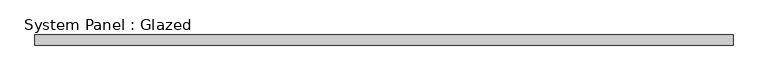
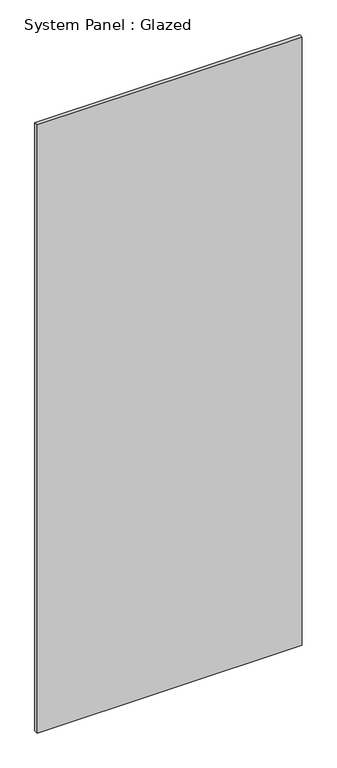
"""IFC4 building model written with IfcOpenShell, lengths in millimetres: plate geometry, System Panel : Glazed."""

from ifc_helpers import new_model, si_unit, origin, origin_with_axes, place, context, project, spatial, polyline, outline, extrude, source, transform, mapped, element, save


def system_panel_glazed_f51f36ee(model_context):
    return source(origin(), model_context, "Body", "SweptSolid", [
        extrude(outline(polyline([(827.8623785, -49.5), (-827.8623785, -49.5), (-827.8623785, -24.5), (827.8623785, -24.5), (827.8623785, -49.5)])), origin_with_axes(), (0.0, 0.0, 1.0), 4015.0),
    ])


if __name__ == "__main__":
    model = new_model("IFC4")
    model_context = context("Model", 3, world=origin())
    ifc_project = project(units=[si_unit("LENGTHUNIT", "METRE", prefix="MILLI")], contexts=[model_context])
    site = spatial("IfcSite", under=ifc_project)
    building = spatial("IfcBuilding", under=site)
    placement = place(None, origin())
    system_panel_glazed_shape = system_panel_glazed_f51f36ee(model_context)
    element("IfcPlate", 1, ObjectType="System Panel : Glazed", at=placement, inside=building, context=model_context, shape_type="MappedRepresentation", body=[
        mapped(system_panel_glazed_shape, transform((0.0, 0.0, 0.0), x_axis=(1.0, 0.0, 0.0), y_axis=(0.0, 1.0, 0.0), z_axis=(0.0, 0.0, 1.0))),
    ])
    save(model, "model.ifc")
